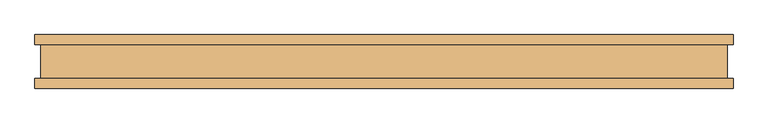
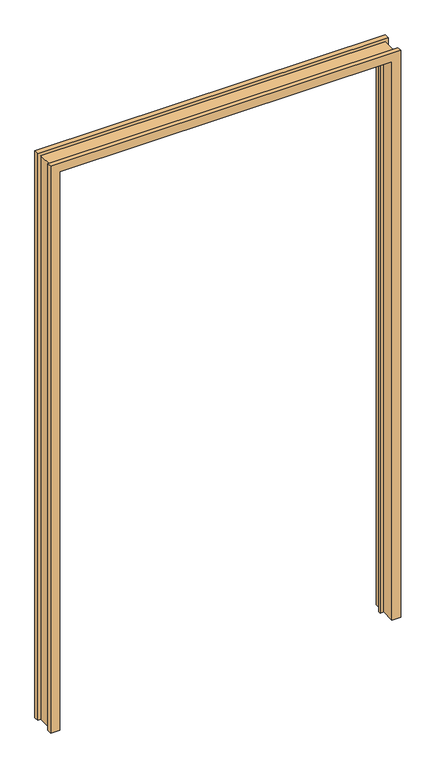
"""IFC4 building model written with IfcOpenShell, lengths in millimetres: door geometry."""

from ifc_helpers import new_model, si_unit, origin, place, context, project, spatial, faceted_brep, source, transform, mapped, element, save


def door_e903a58b(model_context):
    return source(origin(), model_context, "Body", "Brep", [
        faceted_brep([(-645.9982, -31.447233, 0.0), (-635.0, -31.447233, 0.0), (-635.0, 31.468567, 0.0), (-645.9982, 31.468567, 0.0), (-645.9982, 50.010667, 0.0), (-612.9782, 50.010667, 0.0), (-612.9782, 10.907167, 0.0), (-600.0242, 10.907167, 0.0), (-600.0242, 2.6789063, 0.0), (-612.9782, 2.6789063, 0.0), (-612.9782, -49.989233, 0.0), (-645.9982, -49.989233, 0.0), (-645.9982, -49.989233, 2209.7925997), (-645.9982, -31.447233, 2209.7925997), (-612.9782, -49.989233, 2176.7725997), (612.9782, -49.989233, 2176.7725997), (612.9782, -49.989233, 0.0), (645.9982, -49.989233, 0.0), (645.9982, -49.989233, 2209.7925997), (-612.9782, 2.6789063, 2176.7725997), (-600.0242, 2.6789063, 2163.8185997), (600.0242, 2.6789063, 2163.8185997), (600.0242, 2.6789063, 0.0), (612.9782, 2.6789063, 0.0), (612.9782, 2.6789063, 2176.7725997), (-600.0242, 10.907167, 2163.8185997), (-612.9782, 10.907167, 2176.7725997), (612.9782, 10.907167, 2176.7725997), (612.9782, 10.907167, 0.0), (600.0242, 10.907167, 0.0), (600.0242, 10.907167, 2163.8185997), (-612.9782, 50.010667, 2176.7725997), (-645.9982, 50.010667, 2209.7925997), (645.9982, 50.010667, 2209.7925997), (645.9982, 50.010667, 0.0), (612.9782, 50.010667, 0.0), (612.9782, 50.010667, 2176.7725997), (-645.9982, 31.468567, 2209.7925997), (-635.0, 31.468567, 2198.7943997), (635.0, 31.468567, 2198.7943997), (635.0, 31.468567, 0.0), (645.9982, 31.468567, 0.0), (645.9982, 31.468567, 2209.7925997), (-635.0, -31.447233, 2198.7943997), (645.9982, -31.447233, 2209.7925997), (645.9982, -31.447233, 0.0), (635.0, -31.447233, 0.0), (635.0, -31.447233, 2198.7943997)], [[[0, 1, 2, 3, 4, 5, 6, 7, 8, 9, 10, 11]], [[11, 12, 13, 0]], [[10, 14, 15, 16, 17, 18, 12, 11]], [[9, 19, 14, 10]], [[8, 20, 21, 22, 23, 24, 19, 9]], [[7, 25, 20, 8]], [[6, 26, 27, 28, 29, 30, 25, 7]], [[5, 31, 26, 6]], [[4, 32, 33, 34, 35, 36, 31, 5]], [[3, 37, 32, 4]], [[2, 38, 39, 40, 41, 42, 37, 3]], [[1, 43, 38, 2]], [[0, 13, 44, 45, 46, 47, 43, 1]], [[36, 35, 28, 27]], [[45, 17, 16, 23, 22, 29, 28, 35, 34, 41, 40, 46]], [[47, 46, 40, 39]], [[30, 29, 22, 21]], [[24, 23, 16, 15]], [[18, 17, 45, 44]], [[42, 41, 34, 33]], [[31, 36, 27, 26]], [[43, 47, 39, 38]], [[25, 30, 21, 20]], [[19, 24, 15, 14]], [[12, 18, 44, 13]], [[37, 42, 33, 32]]]),
    ])


if __name__ == "__main__":
    model = new_model("IFC4")
    model_context = context("Model", 3, world=origin())
    ifc_project = project(units=[si_unit("LENGTHUNIT", "METRE", prefix="MILLI")], contexts=[model_context])
    site = spatial("IfcSite", under=ifc_project)
    building = spatial("IfcBuilding", under=site)
    placement = place(None, origin())
    door_shape = door_e903a58b(model_context)
    element("IfcDoor", 1, at=placement, inside=building, context=model_context, shape_type="MappedRepresentation", body=[
        mapped(door_shape, transform((0.0, 0.0, 0.0), x_axis=(1.0, 0.0, 0.0), y_axis=(0.0, 1.0, 0.0), z_axis=(0.0, 0.0, 1.0))),
    ])
    save(model, "model.ifc")
